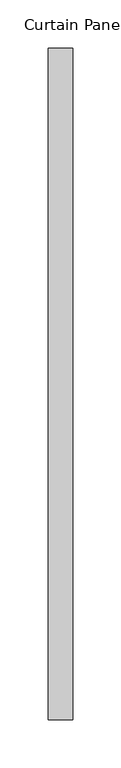
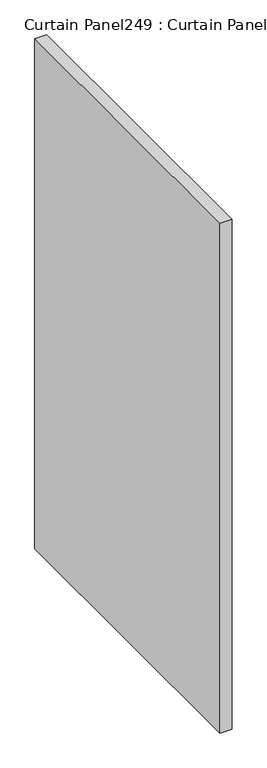
"""IFC4 building model written with IfcOpenShell, lengths in millimetres: plate geometry, Curtain Panel249 : Curtain Panel."""

from ifc_helpers import new_model, si_unit, frame, origin, place, context, project, spatial, polyline, outline, extrude, source, transform, mapped, element, save


def curtain_panel249_curtain_panel_cfa99b60(model_context):
    return source(origin(), model_context, "Body", "SweptSolid", [
        extrude(outline(polyline([(-57529.2137795, 4430.1072717), (-57529.2137795, 3734.0760947), (-57554.6137795, 3734.0760947), (-57554.6137795, 4430.1072717), (-57529.2137795, 4430.1072717)])), frame((0.0, 0.0, 2438.4), z_axis=(0.0, 0.0, 1.0), x_axis=(1.0, 0.0, 0.0)), (0.0, 0.0, 1.0), 1168.4),
    ])


if __name__ == "__main__":
    model = new_model("IFC4")
    model_context = context("Model", 3, world=origin())
    ifc_project = project(units=[si_unit("LENGTHUNIT", "METRE", prefix="MILLI")], contexts=[model_context])
    site = spatial("IfcSite", under=ifc_project)
    building = spatial("IfcBuilding", under=site)
    placement = place(None, origin())
    curtain_panel249_curtain_panel_shape = curtain_panel249_curtain_panel_cfa99b60(model_context)
    element("IfcPlate", 1, ObjectType="Curtain Panel249 : Curtain Panel", at=placement, inside=building, context=model_context, shape_type="MappedRepresentation", body=[
        mapped(curtain_panel249_curtain_panel_shape, transform((0.0, 0.0, 0.0), x_axis=(1.0, 0.0, 0.0), y_axis=(0.0, 1.0, 0.0), z_axis=(0.0, 0.0, 1.0))),
    ])
    save(model, "model.ifc")
